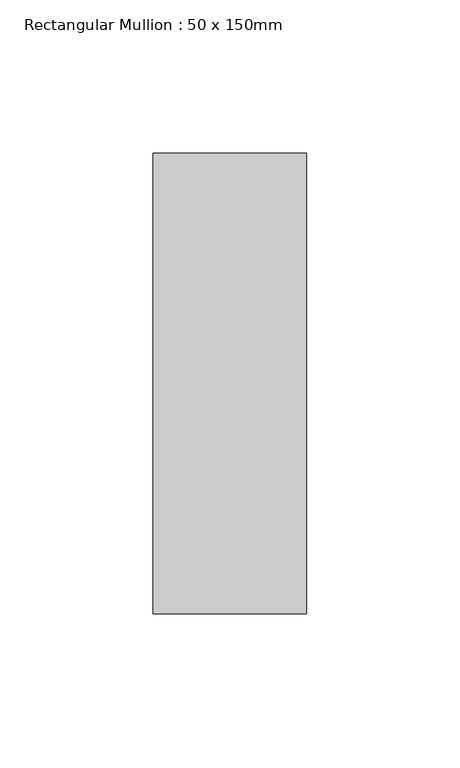
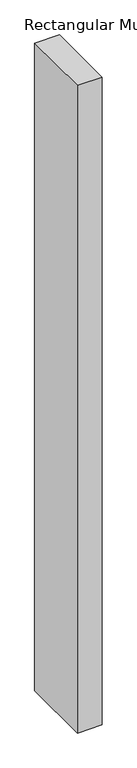
"""IFC4 building model written with IfcOpenShell, lengths in millimetres: member geometry, Rectangular Mullion : 50 x 150mm."""

from ifc_helpers import new_model, si_unit, frame, origin, place, context, project, spatial, polyline, outline, extrude, source, transform, mapped, element, save


def rectangular_mullion_50_x_150mm_894f1d0a(model_context):
    return source(origin(), model_context, "Body", "SweptSolid", [
        extrude(outline(polyline([(25.0, 75.0), (25.0, -75.0), (-25.0, -75.0), (-25.0, 75.0), (25.0, 75.0)])), frame((0.0, 0.0, -1391.6666667), z_axis=(0.0, 0.0, 1.0), x_axis=(1.0, 0.0, 0.0)), (0.0, 0.0, 1.0), 1391.6666667),
    ])


if __name__ == "__main__":
    model = new_model("IFC4")
    model_context = context("Model", 3, world=origin())
    ifc_project = project(units=[si_unit("LENGTHUNIT", "METRE", prefix="MILLI")], contexts=[model_context])
    site = spatial("IfcSite", under=ifc_project)
    building = spatial("IfcBuilding", under=site)
    placement = place(None, origin())
    rectangular_mullion_50_x_150mm_shape = rectangular_mullion_50_x_150mm_894f1d0a(model_context)
    element("IfcMember", 1, ObjectType="Rectangular Mullion : 50 x 150mm", at=placement, inside=building, context=model_context, shape_type="MappedRepresentation", body=[
        mapped(rectangular_mullion_50_x_150mm_shape, transform((0.0, 0.0, 0.0), x_axis=(1.0, 0.0, 0.0), y_axis=(0.0, 1.0, 0.0), z_axis=(0.0, 0.0, 1.0))),
    ])
    save(model, "model.ifc")
